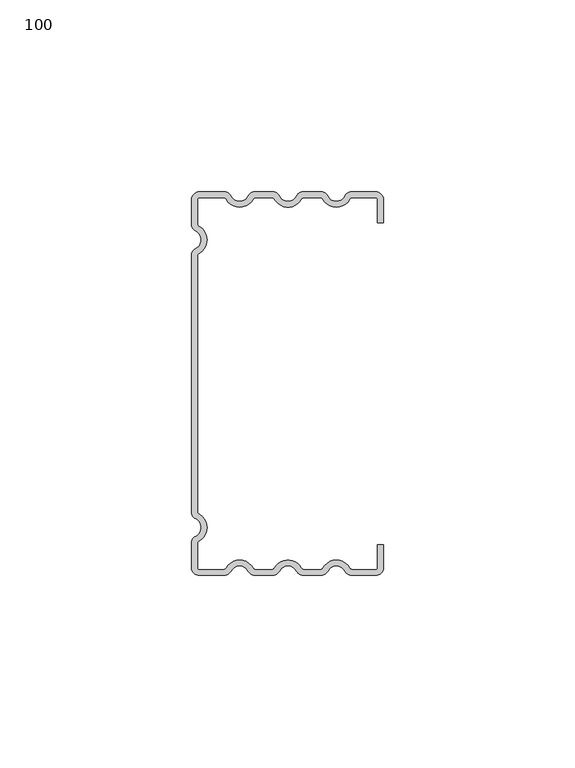
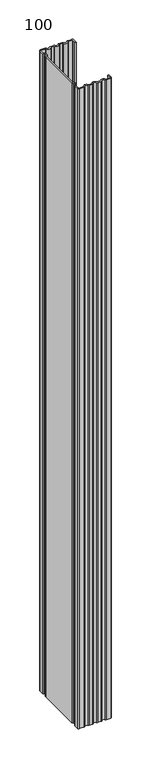
"""IFC4 building model written with IfcOpenShell, lengths in millimetres: proxy geometry, 100."""

import ifcopenshell
import ifcopenshell.guid

model = None  # the IFC model being written
_history = None  # IfcOwnerHistory: only IFC2X3 demands one
_inside = {}  # id of a spatial element -> (the spatial element, [elements in it])
_under = {}  # id of a project, library or spatial element -> (it, [spatial elements below it])
_declared = {}  # id of a project -> (the project, [libraries it declares])
_typed = {}  # id of a type object -> (the type object, [elements of that type])
_made_of = {}  # id of a material, layer set ... -> (it, [elements and type objects made of it])


def new_model(schema):
    """Start an empty IFC model of exactly this schema.

    Asked for "IFC4X3", IfcOpenShell would pick the latest addendum, in which some entities
    have other attributes; the version numbers below select the first issue.
    IFC2X3 requires an IfcOwnerHistory on every rooted entity: one is made here for all.
    """
    global model, _history
    if schema == "IFC4X3":
        model = ifcopenshell.file(schema_version=(4, 3, 0, 0))
    else:
        model = ifcopenshell.file(schema=schema)
    _inside.clear()
    _under.clear()
    _declared.clear()
    _typed.clear()
    _made_of.clear()
    _history = None
    if model.schema == "IFC2X3":
        org = make("IfcOrganization", Name="unknown")
        user = make(
            "IfcPersonAndOrganization",
            ThePerson=make("IfcPerson", FamilyName="unknown"),
            TheOrganization=org,
        )
        app = make(
            "IfcApplication",
            ApplicationDeveloper=org,
            Version="unknown",
            ApplicationFullName="unknown",
            ApplicationIdentifier="unknown",
        )
        _history = make(
            "IfcOwnerHistory",
            OwningUser=user,
            OwningApplication=app,
            ChangeAction="ADDED",
            CreationDate=0,
        )
    return model


def make(cls, **values):
    """One entity of the class cls with the attributes given. An attribute that is None is left unset."""
    return model.create_entity(
        cls, **{name: value for name, value in values.items() if value is not None}
    )


def rooted(cls, **values):
    """An entity with a GlobalId (a new one), such as an element, a storey or a relation."""
    return make(cls, GlobalId=ifcopenshell.guid.new(), OwnerHistory=_history, **values)


def si_unit(unit_type, name, prefix=None):
    """IfcSIUnit, for example si_unit("LENGTHUNIT", "METRE", prefix="MILLI")."""
    return make("IfcSIUnit", UnitType=unit_type, Prefix=prefix, Name=name)


def assignment(units):
    """IfcUnitAssignment: the units of a project."""
    return None if units is None else make("IfcUnitAssignment", Units=units)


def point(xyz):
    """IfcCartesianPoint."""
    return None if xyz is None else make("IfcCartesianPoint", Coordinates=xyz)


def direction(xyz):
    """IfcDirection."""
    return None if xyz is None else make("IfcDirection", DirectionRatios=xyz)


def frame(location, z_axis=None, x_axis=None):
    """IfcAxis2Placement3D, a coordinate frame: its origin and axes. An axis left out is left unset."""
    return make(
        "IfcAxis2Placement3D",
        Location=point(location),
        Axis=direction(z_axis),
        RefDirection=direction(x_axis),
    )


def frame_2d(location, x_axis=None):
    """IfcAxis2Placement2D, a coordinate frame in the plane: its origin and x axis."""
    return make(
        "IfcAxis2Placement2D", Location=point(location), RefDirection=direction(x_axis)
    )


def origin():
    """The frame at (0, 0, 0) with its axes left unset."""
    return frame((0.0, 0.0, 0.0))


def origin_with_axes():
    """The frame at (0, 0, 0) with the z axis (0, 0, 1) and the x axis (1, 0, 0) written out."""
    return frame((0.0, 0.0, 0.0), z_axis=(0.0, 0.0, 1.0), x_axis=(1.0, 0.0, 0.0))


def place(relative_to, where):
    """IfcLocalPlacement: puts the frame where relative to a parent placement (None: the world)."""
    return make(
        "IfcLocalPlacement", PlacementRelTo=relative_to, RelativePlacement=where
    )


def context(
    kind, dimensions, precision=None, world=None, true_north=None, identifier=None
):
    """IfcGeometricRepresentationContext, for example the 3D "Model" context."""
    return make(
        "IfcGeometricRepresentationContext",
        ContextIdentifier=identifier,
        ContextType=kind,
        CoordinateSpaceDimension=dimensions,
        Precision=precision,
        WorldCoordinateSystem=world,
        TrueNorth=true_north,
    )


def project(units=None, contexts=None):
    """IfcProject with its units and contexts."""
    return rooted(
        "IfcProject",
        Name="project",
        RepresentationContexts=contexts,
        UnitsInContext=assignment(units),
    )


def spatial(cls, under=None, at=None, **own):
    """A site, building, storey or space (cls), placed at a placement, below another one or the project."""
    s = rooted(cls, ObjectPlacement=at, **own)
    if under is not None:
        _under.setdefault(under.id(), (under, []))[1].append(s)
    return s


def polyline(points):
    """IfcPolyline through the points."""
    return make("IfcPolyline", Points=[point(p) for p in points])


def circle_curve(where, radius):
    """IfcCircle in the frame where."""
    return make("IfcCircle", Position=where, Radius=radius)


def trimmed(basis, trim1, trim2, sense, master):
    """IfcTrimmedCurve: the piece of a basis curve between two trims."""
    return make(
        "IfcTrimmedCurve",
        BasisCurve=basis,
        Trim1=trim1,
        Trim2=trim2,
        SenseAgreement=sense,
        MasterRepresentation=master,
    )


def segment(curve, same_sense, transition):
    """IfcCompositeCurveSegment."""
    return make(
        "IfcCompositeCurveSegment",
        Transition=transition,
        SameSense=same_sense,
        ParentCurve=curve,
    )


def composite_curve(segments, self_intersect=None):
    """IfcCompositeCurve: segments joined end to end."""
    return make("IfcCompositeCurve", Segments=segments, SelfIntersect=self_intersect)


def outline(outer, holes=None, kind="AREA"):
    """IfcArbitraryClosedProfileDef: a profile drawn as a closed curve; with holes, ...WithVoids."""
    if holes is None:
        return make("IfcArbitraryClosedProfileDef", ProfileType=kind, OuterCurve=outer)
    return make(
        "IfcArbitraryProfileDefWithVoids",
        ProfileType=kind,
        OuterCurve=outer,
        InnerCurves=holes,
    )


def extrude(swept, where, along, depth):
    """IfcExtrudedAreaSolid: the profile swept, set in the frame where, extruded along a direction by depth."""
    return make(
        "IfcExtrudedAreaSolid",
        SweptArea=swept,
        Position=where,
        ExtrudedDirection=direction(along),
        Depth=depth,
    )


def shape(context_of_items, identifier, shape_type, items):
    """IfcShapeRepresentation: the items that make up one representation, for example the "Body"."""
    return make(
        "IfcShapeRepresentation",
        ContextOfItems=context_of_items,
        RepresentationIdentifier=identifier,
        RepresentationType=shape_type,
        Items=items,
    )


def source(mapping_origin, context_of_items, identifier, shape_type, items):
    """IfcRepresentationMap: a shape defined once, which mapped items show again and again."""
    return make(
        "IfcRepresentationMap",
        MappingOrigin=mapping_origin,
        MappedRepresentation=shape(context_of_items, identifier, shape_type, items),
    )


def transform(
    local_origin,
    x_axis=None,
    y_axis=None,
    z_axis=None,
    scale=None,
    scale2=None,
    scale3=None,
    uniform=True,
):
    """IfcCartesianTransformationOperator3D, or its non-uniform kind. x_axis, y_axis, z_axis: its Axis1, 2, 3."""
    if uniform:
        return make(
            "IfcCartesianTransformationOperator3D",
            Axis1=direction(x_axis),
            Axis2=direction(y_axis),
            LocalOrigin=point(local_origin),
            Scale=scale,
            Axis3=direction(z_axis),
        )
    return make(
        "IfcCartesianTransformationOperator3DnonUniform",
        Axis1=direction(x_axis),
        Axis2=direction(y_axis),
        LocalOrigin=point(local_origin),
        Scale=scale,
        Axis3=direction(z_axis),
        Scale2=scale2,
        Scale3=scale3,
    )


def mapped(mapping_source, mapping_target):
    """IfcMappedItem: shows the shape of a source again, moved by a transform."""
    return make(
        "IfcMappedItem", MappingSource=mapping_source, MappingTarget=mapping_target
    )


def made_of(thing, what):
    """Note that an element or type object is made of a material, layer set ...; save() writes the relation."""
    if what is not None:
        _made_of.setdefault(what.id(), (what, []))[1].append(thing)
    return thing


def element(
    cls,
    number,
    at=None,
    inside=None,
    cuts=None,
    type_object=None,
    material=None,
    context=None,
    identifier="Body",
    shape_type=None,
    held_by="IfcProductDefinitionShape",
    body=None,
    shapes=None,
    **own,
):
    """One element of the class cls, such as IfcWall. Its Tag is "e" and its number.

    at: its placement. inside: the storey or other place that contains it. cuts: it is an
    opening in that element (IfcRelVoidsElement). A single representation is given by context,
    identifier, shape_type and body (its items); several are given by shapes. held_by: the class
    of the entity that holds the representations. save() writes the other relations.
    """
    e = rooted(cls, Tag="e%d" % number, ObjectPlacement=at, **own)
    if body is not None:
        shapes = [shape(context, identifier, shape_type, body)]
    if shapes is not None:
        e.Representation = make(held_by, Representations=shapes)
    if inside is not None:
        _inside.setdefault(inside.id(), (inside, []))[1].append(e)
    if cuts is not None:
        rooted(
            "IfcRelVoidsElement", RelatingBuildingElement=cuts, RelatedOpeningElement=e
        )
    if type_object is not None:
        _typed.setdefault(type_object.id(), (type_object, []))[1].append(e)
    return made_of(e, material)


def aggregate(whole, parts):
    """IfcRelAggregates: a whole, such as a stair, and the parts it consists of."""
    return rooted("IfcRelAggregates", RelatingObject=whole, RelatedObjects=parts)


def save(model, path):
    """Write the relations noted so far, then the file.

    IfcRelAggregates (storeys below a building ...), IfcRelContainedInSpatialStructure (elements
    in a storey), IfcRelDefinesByType, IfcRelAssociatesMaterial and IfcRelDeclares: one each for
    every whole, place, type object, material and project.
    """
    for whole, parts in _under.values():
        aggregate(whole, parts)
    for where, things in _inside.values():
        rooted(
            "IfcRelContainedInSpatialStructure",
            RelatedElements=things,
            RelatingStructure=where,
        )
    for kind, things in _typed.values():
        rooted("IfcRelDefinesByType", RelatedObjects=things, RelatingType=kind)
    for what, things in _made_of.values():
        rooted("IfcRelAssociatesMaterial", RelatedObjects=things, RelatingMaterial=what)
    for by, libraries in _declared.values():
        rooted("IfcRelDeclares", RelatingContext=by, RelatedDefinitions=libraries)
    model.write(path)


def proxy_100_d1b60d93(model_context):
    return source(origin(), model_context, "Body", "SweptSolid", [
        extrude(outline(composite_curve([segment(polyline([(50.0, 42.0), (48.5, 42.0), (48.5, 48.0)]), True, "CONTINUOUS"), segment(trimmed(circle_curve(frame_2d((48.0, 48.0)), 0.5), [point((48.5, 48.0))], [point((48.0, 48.5))], True, "CARTESIAN"), True, "CONTINUOUS"), segment(polyline([(48.0, 48.5), (42.0640787, 48.5)]), True, "CONTINUOUS"), segment(trimmed(circle_curve(frame_2d((42.0640787, 47.5)), 1.0), [point((42.0640787, 48.5))], [point((41.1980533, 48.0))], True, "CARTESIAN"), True, "CONTINUOUS"), segment(trimmed(circle_curve(frame_2d((37.7339517, 50.0)), 4.0), [point((41.1980533, 48.0))], [point((34.2698501, 48.0))], False, "CARTESIAN"), True, "CONTINUOUS"), segment(trimmed(circle_curve(frame_2d((33.4038247, 47.5)), 1.0), [point((34.2698501, 48.0))], [point((33.4038247, 48.5))], True, "CARTESIAN"), True, "CONTINUOUS"), segment(polyline([(33.4038247, 48.5), (29.4471029, 48.5)]), True, "CONTINUOUS"), segment(trimmed(circle_curve(frame_2d((29.4471029, 47.5)), 1.0), [point((29.4471029, 48.5))], [point((28.5810775, 48.0))], True, "CARTESIAN"), True, "CONTINUOUS"), segment(trimmed(circle_curve(frame_2d((25.1169759, 50.0)), 4.0), [point((28.5810775, 48.0))], [point((21.6528742, 48.0))], False, "CARTESIAN"), True, "CONTINUOUS"), segment(trimmed(circle_curve(frame_2d((20.7868488, 47.5)), 1.0), [point((21.6528742, 48.0))], [point((20.7868488, 48.5))], True, "CARTESIAN"), True, "CONTINUOUS"), segment(polyline([(20.7868488, 48.5), (16.830127, 48.5)]), True, "CONTINUOUS"), segment(trimmed(circle_curve(frame_2d((16.830127, 47.5)), 1.0), [point((16.830127, 48.5))], [point((15.9641016, 48.0))], True, "CARTESIAN"), True, "CONTINUOUS"), segment(trimmed(circle_curve(frame_2d((12.5, 50.0)), 4.0), [point((15.9641016, 48.0))], [point((9.0358984, 48.0))], False, "CARTESIAN"), True, "CONTINUOUS"), segment(trimmed(circle_curve(frame_2d((8.169873, 47.5)), 1.0), [point((9.0358984, 48.0))], [point((8.169873, 48.5))], True, "CARTESIAN"), True, "CONTINUOUS"), segment(polyline([(8.169873, 48.5), (2.0, 48.5)]), True, "CONTINUOUS"), segment(trimmed(circle_curve(frame_2d((2.0, 48.0)), 0.5), [point((2.0, 48.5))], [point((1.5, 48.0))], True, "CARTESIAN"), True, "CONTINUOUS"), segment(polyline([(1.5, 48.0), (1.5, 41.830127)]), True, "CONTINUOUS"), segment(trimmed(circle_curve(frame_2d((2.5, 41.830127)), 1.0), [point((1.5, 41.830127))], [point((2.0, 40.9641016))], True, "CARTESIAN"), True, "CONTINUOUS"), segment(trimmed(circle_curve(frame_2d((0.0, 37.5)), 4.0), [point((2.0, 40.9641016))], [point((2.0, 34.0358984))], False, "CARTESIAN"), True, "CONTINUOUS"), segment(trimmed(circle_curve(frame_2d((2.5, 33.169873)), 1.0), [point((2.0, 34.0358984))], [point((1.5, 33.169873))], True, "CARTESIAN"), True, "CONTINUOUS"), segment(polyline([(1.5, 33.169873), (1.5, -33.169873)]), True, "CONTINUOUS"), segment(trimmed(circle_curve(frame_2d((2.5, -33.169873)), 1.0), [point((1.5, -33.169873))], [point((2.0, -34.0358984))], True, "CARTESIAN"), True, "CONTINUOUS"), segment(trimmed(circle_curve(frame_2d((0.0, -37.5)), 4.0), [point((2.0, -34.0358984))], [point((2.0, -40.9641016))], False, "CARTESIAN"), True, "CONTINUOUS"), segment(trimmed(circle_curve(frame_2d((2.5, -41.830127)), 1.0), [point((2.0, -40.9641016))], [point((1.5, -41.830127))], True, "CARTESIAN"), True, "CONTINUOUS"), segment(polyline([(1.5, -41.830127), (1.5, -48.0)]), True, "CONTINUOUS"), segment(trimmed(circle_curve(frame_2d((2.0, -48.0)), 0.5), [point((1.5, -48.0))], [point((2.0, -48.5))], True, "CARTESIAN"), True, "CONTINUOUS"), segment(polyline([(2.0, -48.5), (8.169873, -48.5)]), True, "CONTINUOUS"), segment(trimmed(circle_curve(frame_2d((8.169873, -47.5)), 1.0), [point((8.169873, -48.5))], [point((9.0358984, -48.0))], True, "CARTESIAN"), True, "CONTINUOUS"), segment(trimmed(circle_curve(frame_2d((12.5, -50.0)), 4.0), [point((9.0358984, -48.0))], [point((15.9641016, -48.0))], False, "CARTESIAN"), True, "CONTINUOUS"), segment(trimmed(circle_curve(frame_2d((16.830127, -47.5)), 1.0), [point((15.9641016, -48.0))], [point((16.830127, -48.5))], True, "CARTESIAN"), True, "CONTINUOUS"), segment(polyline([(16.830127, -48.5), (20.7868488, -48.5)]), True, "CONTINUOUS"), segment(trimmed(circle_curve(frame_2d((20.7868488, -47.5)), 1.0), [point((20.7868488, -48.5))], [point((21.6528742, -48.0))], True, "CARTESIAN"), True, "CONTINUOUS"), segment(trimmed(circle_curve(frame_2d((25.1169759, -50.0)), 4.0), [point((21.6528742, -48.0))], [point((28.5810775, -48.0))], False, "CARTESIAN"), True, "CONTINUOUS"), segment(trimmed(circle_curve(frame_2d((29.4471029, -47.5)), 1.0), [point((28.5810775, -48.0))], [point((29.4471029, -48.5))], True, "CARTESIAN"), True, "CONTINUOUS"), segment(polyline([(29.4471029, -48.5), (33.4038247, -48.5)]), True, "CONTINUOUS"), segment(trimmed(circle_curve(frame_2d((33.4038247, -47.5)), 1.0), [point((33.4038247, -48.5))], [point((34.2698501, -48.0))], True, "CARTESIAN"), True, "CONTINUOUS"), segment(trimmed(circle_curve(frame_2d((37.7339517, -50.0)), 4.0), [point((34.2698501, -48.0))], [point((41.1980533, -48.0))], False, "CARTESIAN"), True, "CONTINUOUS"), segment(trimmed(circle_curve(frame_2d((42.0640787, -47.5)), 1.0), [point((41.1980533, -48.0))], [point((42.0640787, -48.5))], True, "CARTESIAN"), True, "CONTINUOUS"), segment(polyline([(42.0640787, -48.5), (48.0, -48.5)]), True, "CONTINUOUS"), segment(trimmed(circle_curve(frame_2d((48.0, -48.0)), 0.5), [point((48.0, -48.5))], [point((48.5, -48.0))], True, "CARTESIAN"), True, "CONTINUOUS"), segment(polyline([(48.5, -48.0), (48.5, -42.0), (50.0, -42.0), (50.0, -48.0)]), True, "CONTINUOUS"), segment(trimmed(circle_curve(frame_2d((48.0, -48.0)), 2.0), [point((50.0, -48.0))], [point((48.0, -50.0))], False, "CARTESIAN"), True, "CONTINUOUS"), segment(polyline([(48.0, -50.0), (41.7650806, -50.0)]), True, "CONTINUOUS"), segment(trimmed(circle_curve(frame_2d((41.7650806, -48.0)), 2.0), [point((41.7650806, -50.0))], [point((39.9734678, -48.8888889))], False, "CARTESIAN"), True, "CONTINUOUS"), segment(trimmed(circle_curve(frame_2d((37.7339517, -50.0)), 2.5), [point((39.9734678, -48.8888889))], [point((35.4944357, -48.8888889))], True, "CARTESIAN"), True, "CONTINUOUS"), segment(trimmed(circle_curve(frame_2d((33.7028228, -48.0)), 2.0), [point((35.4944357, -48.8888889))], [point((33.7028228, -50.0))], False, "CARTESIAN"), True, "CONTINUOUS"), segment(polyline([(33.7028228, -50.0), (29.1481047, -50.0)]), True, "CONTINUOUS"), segment(trimmed(circle_curve(frame_2d((29.1481047, -48.0)), 2.0), [point((29.1481047, -50.0))], [point((27.3564919, -48.8888889))], False, "CARTESIAN"), True, "CONTINUOUS"), segment(trimmed(circle_curve(frame_2d((25.1169759, -50.0)), 2.5), [point((27.3564919, -48.8888889))], [point((22.8774598, -48.8888889))], True, "CARTESIAN"), True, "CONTINUOUS"), segment(trimmed(circle_curve(frame_2d((21.085847, -48.0)), 2.0), [point((22.8774598, -48.8888889))], [point((21.085847, -50.0))], False, "CARTESIAN"), True, "CONTINUOUS"), segment(polyline([(21.085847, -50.0), (16.5311289, -50.0)]), True, "CONTINUOUS"), segment(trimmed(circle_curve(frame_2d((16.5311289, -48.0)), 2.0), [point((16.5311289, -50.0))], [point((14.739516, -48.8888889))], False, "CARTESIAN"), True, "CONTINUOUS"), segment(trimmed(circle_curve(frame_2d((12.5, -50.0)), 2.5), [point((14.739516, -48.8888889))], [point((10.260484, -48.8888889))], True, "CARTESIAN"), True, "CONTINUOUS"), segment(trimmed(circle_curve(frame_2d((8.4688711, -48.0)), 2.0), [point((10.260484, -48.8888889))], [point((8.4688711, -50.0))], False, "CARTESIAN"), True, "CONTINUOUS"), segment(polyline([(8.4688711, -50.0), (2.0, -50.0)]), True, "CONTINUOUS"), segment(trimmed(circle_curve(frame_2d((2.0, -48.0)), 2.0), [point((2.0, -50.0))], [point((0.0, -48.0))], False, "CARTESIAN"), True, "CONTINUOUS"), segment(polyline([(0.0, -48.0), (0.0, -41.5311289)]), True, "CONTINUOUS"), segment(trimmed(circle_curve(frame_2d((2.0, -41.5311289)), 2.0), [point((0.0, -41.5311289))], [point((1.1111111, -39.739516))], False, "CARTESIAN"), True, "CONTINUOUS"), segment(trimmed(circle_curve(frame_2d((0.0, -37.5)), 2.5), [point((1.1111111, -39.739516))], [point((1.1111111, -35.260484))], True, "CARTESIAN"), True, "CONTINUOUS"), segment(trimmed(circle_curve(frame_2d((2.0, -33.4688711)), 2.0), [point((1.1111111, -35.260484))], [point((0.0, -33.4688711))], False, "CARTESIAN"), True, "CONTINUOUS"), segment(polyline([(0.0, -33.4688711), (0.0, 33.4688711)]), True, "CONTINUOUS"), segment(trimmed(circle_curve(frame_2d((2.0, 33.4688711)), 2.0), [point((0.0, 33.4688711))], [point((1.1111111, 35.260484))], False, "CARTESIAN"), True, "CONTINUOUS"), segment(trimmed(circle_curve(frame_2d((0.0, 37.5)), 2.5), [point((1.1111111, 35.260484))], [point((1.1111111, 39.739516))], True, "CARTESIAN"), True, "CONTINUOUS"), segment(trimmed(circle_curve(frame_2d((2.0, 41.5311289)), 2.0), [point((1.1111111, 39.739516))], [point((0.0, 41.5311289))], False, "CARTESIAN"), True, "CONTINUOUS"), segment(polyline([(0.0, 41.5311289), (0.0, 48.0)]), True, "CONTINUOUS"), segment(trimmed(circle_curve(frame_2d((2.0, 48.0)), 2.0), [point((0.0, 48.0))], [point((2.0, 50.0))], False, "CARTESIAN"), True, "CONTINUOUS"), segment(polyline([(2.0, 50.0), (8.4688711, 50.0)]), True, "CONTINUOUS"), segment(trimmed(circle_curve(frame_2d((8.4688711, 48.0)), 2.0), [point((8.4688711, 50.0))], [point((10.260484, 48.8888889))], False, "CARTESIAN"), True, "CONTINUOUS"), segment(trimmed(circle_curve(frame_2d((12.5, 50.0)), 2.5), [point((10.260484, 48.8888889))], [point((14.739516, 48.8888889))], True, "CARTESIAN"), True, "CONTINUOUS"), segment(trimmed(circle_curve(frame_2d((16.5311289, 48.0)), 2.0), [point((14.739516, 48.8888889))], [point((16.5311289, 50.0))], False, "CARTESIAN"), True, "CONTINUOUS"), segment(polyline([(16.5311289, 50.0), (21.085847, 50.0)]), True, "CONTINUOUS"), segment(trimmed(circle_curve(frame_2d((21.085847, 48.0)), 2.0), [point((21.085847, 50.0))], [point((22.8774598, 48.8888889))], False, "CARTESIAN"), True, "CONTINUOUS"), segment(trimmed(circle_curve(frame_2d((25.1169759, 50.0)), 2.5), [point((22.8774598, 48.8888889))], [point((27.3564919, 48.8888889))], True, "CARTESIAN"), True, "CONTINUOUS"), segment(trimmed(circle_curve(frame_2d((29.1481047, 48.0)), 2.0), [point((27.3564919, 48.8888889))], [point((29.1481047, 50.0))], False, "CARTESIAN"), True, "CONTINUOUS"), segment(polyline([(29.1481047, 50.0), (33.7028228, 50.0)]), True, "CONTINUOUS"), segment(trimmed(circle_curve(frame_2d((33.7028228, 48.0)), 2.0), [point((33.7028228, 50.0))], [point((35.4944357, 48.8888889))], False, "CARTESIAN"), True, "CONTINUOUS"), segment(trimmed(circle_curve(frame_2d((37.7339517, 50.0)), 2.5), [point((35.4944357, 48.8888889))], [point((39.9734678, 48.8888889))], True, "CARTESIAN"), True, "CONTINUOUS"), segment(trimmed(circle_curve(frame_2d((41.7650806, 48.0)), 2.0), [point((39.9734678, 48.8888889))], [point((41.7650806, 50.0))], False, "CARTESIAN"), True, "CONTINUOUS"), segment(polyline([(41.7650806, 50.0), (48.0, 50.0)]), True, "CONTINUOUS"), segment(trimmed(circle_curve(frame_2d((48.0, 48.0)), 2.0), [point((48.0, 50.0))], [point((50.0, 48.0))], False, "CARTESIAN"), True, "CONTINUOUS"), segment(polyline([(50.0, 48.0), (50.0, 42.0)]), True, "CONTINUOUS")], self_intersect=False)), origin_with_axes(), (0.0, 0.0, 1.0), 1000.0),
    ])


if __name__ == "__main__":
    model = new_model("IFC4")
    model_context = context("Model", 3, world=origin())
    ifc_project = project(units=[si_unit("LENGTHUNIT", "METRE", prefix="MILLI")], contexts=[model_context])
    site = spatial("IfcSite", under=ifc_project)
    building = spatial("IfcBuilding", under=site)
    placement = place(None, origin())
    proxy_100_shape = proxy_100_d1b60d93(model_context)
    element("IfcBuildingElementProxy", 1, Name="100", ObjectType="100", at=placement, inside=building, context=model_context, shape_type="MappedRepresentation", body=[
        mapped(proxy_100_shape, transform((0.0, 0.0, 0.0), x_axis=(1.0, 0.0, 0.0), y_axis=(0.0, 1.0, 0.0), z_axis=(0.0, 0.0, 1.0))),
    ])
    save(model, "model.ifc")
